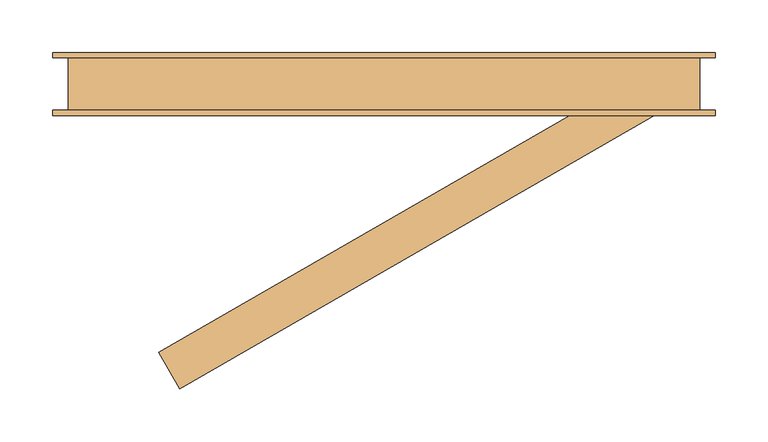
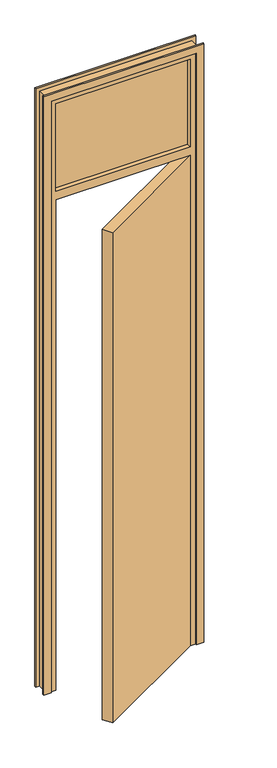
"""IFC4 building model written with IfcOpenShell, lengths in millimetres: door geometry."""

import ifcopenshell
import ifcopenshell.guid

model = None  # the IFC model being written
_history = None  # IfcOwnerHistory: only IFC2X3 demands one
_inside = {}  # id of a spatial element -> (the spatial element, [elements in it])
_under = {}  # id of a project, library or spatial element -> (it, [spatial elements below it])
_declared = {}  # id of a project -> (the project, [libraries it declares])
_typed = {}  # id of a type object -> (the type object, [elements of that type])
_made_of = {}  # id of a material, layer set ... -> (it, [elements and type objects made of it])


def new_model(schema):
    """Start an empty IFC model of exactly this schema.

    Asked for "IFC4X3", IfcOpenShell would pick the latest addendum, in which some entities
    have other attributes; the version numbers below select the first issue.
    IFC2X3 requires an IfcOwnerHistory on every rooted entity: one is made here for all.
    """
    global model, _history
    if schema == "IFC4X3":
        model = ifcopenshell.file(schema_version=(4, 3, 0, 0))
    else:
        model = ifcopenshell.file(schema=schema)
    _inside.clear()
    _under.clear()
    _declared.clear()
    _typed.clear()
    _made_of.clear()
    _history = None
    if model.schema == "IFC2X3":
        org = make("IfcOrganization", Name="unknown")
        user = make(
            "IfcPersonAndOrganization",
            ThePerson=make("IfcPerson", FamilyName="unknown"),
            TheOrganization=org,
        )
        app = make(
            "IfcApplication",
            ApplicationDeveloper=org,
            Version="unknown",
            ApplicationFullName="unknown",
            ApplicationIdentifier="unknown",
        )
        _history = make(
            "IfcOwnerHistory",
            OwningUser=user,
            OwningApplication=app,
            ChangeAction="ADDED",
            CreationDate=0,
        )
    return model


def make(cls, **values):
    """One entity of the class cls with the attributes given. An attribute that is None is left unset."""
    return model.create_entity(
        cls, **{name: value for name, value in values.items() if value is not None}
    )


def rooted(cls, **values):
    """An entity with a GlobalId (a new one), such as an element, a storey or a relation."""
    return make(cls, GlobalId=ifcopenshell.guid.new(), OwnerHistory=_history, **values)


def si_unit(unit_type, name, prefix=None):
    """IfcSIUnit, for example si_unit("LENGTHUNIT", "METRE", prefix="MILLI")."""
    return make("IfcSIUnit", UnitType=unit_type, Prefix=prefix, Name=name)


def assignment(units):
    """IfcUnitAssignment: the units of a project."""
    return None if units is None else make("IfcUnitAssignment", Units=units)


def point(xyz):
    """IfcCartesianPoint."""
    return None if xyz is None else make("IfcCartesianPoint", Coordinates=xyz)


def direction(xyz):
    """IfcDirection."""
    return None if xyz is None else make("IfcDirection", DirectionRatios=xyz)


def frame(location, z_axis=None, x_axis=None):
    """IfcAxis2Placement3D, a coordinate frame: its origin and axes. An axis left out is left unset."""
    return make(
        "IfcAxis2Placement3D",
        Location=point(location),
        Axis=direction(z_axis),
        RefDirection=direction(x_axis),
    )


def origin():
    """The frame at (0, 0, 0) with its axes left unset."""
    return frame((0.0, 0.0, 0.0))


def origin_with_axes():
    """The frame at (0, 0, 0) with the z axis (0, 0, 1) and the x axis (1, 0, 0) written out."""
    return frame((0.0, 0.0, 0.0), z_axis=(0.0, 0.0, 1.0), x_axis=(1.0, 0.0, 0.0))


def place(relative_to, where):
    """IfcLocalPlacement: puts the frame where relative to a parent placement (None: the world)."""
    return make(
        "IfcLocalPlacement", PlacementRelTo=relative_to, RelativePlacement=where
    )


def context(
    kind, dimensions, precision=None, world=None, true_north=None, identifier=None
):
    """IfcGeometricRepresentationContext, for example the 3D "Model" context."""
    return make(
        "IfcGeometricRepresentationContext",
        ContextIdentifier=identifier,
        ContextType=kind,
        CoordinateSpaceDimension=dimensions,
        Precision=precision,
        WorldCoordinateSystem=world,
        TrueNorth=true_north,
    )


def project(units=None, contexts=None):
    """IfcProject with its units and contexts."""
    return rooted(
        "IfcProject",
        Name="project",
        RepresentationContexts=contexts,
        UnitsInContext=assignment(units),
    )


def spatial(cls, under=None, at=None, **own):
    """A site, building, storey or space (cls), placed at a placement, below another one or the project."""
    s = rooted(cls, ObjectPlacement=at, **own)
    if under is not None:
        _under.setdefault(under.id(), (under, []))[1].append(s)
    return s


def polyline(points):
    """IfcPolyline through the points."""
    return make("IfcPolyline", Points=[point(p) for p in points])


def outline(outer, holes=None, kind="AREA"):
    """IfcArbitraryClosedProfileDef: a profile drawn as a closed curve; with holes, ...WithVoids."""
    if holes is None:
        return make("IfcArbitraryClosedProfileDef", ProfileType=kind, OuterCurve=outer)
    return make(
        "IfcArbitraryProfileDefWithVoids",
        ProfileType=kind,
        OuterCurve=outer,
        InnerCurves=holes,
    )


def extrude(swept, where, along, depth):
    """IfcExtrudedAreaSolid: the profile swept, set in the frame where, extruded along a direction by depth."""
    return make(
        "IfcExtrudedAreaSolid",
        SweptArea=swept,
        Position=where,
        ExtrudedDirection=direction(along),
        Depth=depth,
    )


def faces_of(points, faces, orient=None, outer=None):
    """IfcFace entities. A face is a list of loops; a loop is a list of indices into points, from 0.

    orient and outer hold one flag for each loop. By default every Orientation is true, the
    first loop of a face is its IfcFaceOuterBound and the others are IfcFaceBound.
    """
    made = []
    for i, loops in enumerate(faces):
        bounds = []
        for j, loop in enumerate(loops):
            is_outer = j == 0 if outer is None else outer[i][j]
            bounds.append(
                make(
                    "IfcFaceOuterBound" if is_outer else "IfcFaceBound",
                    Bound=make("IfcPolyLoop", Polygon=[points[k] for k in loop]),
                    Orientation=True if orient is None else orient[i][j],
                )
            )
        made.append(make("IfcFace", Bounds=bounds))
    return made


def faceted_brep(points, faces, orient=None, outer=None, voids=None):
    """IfcFacetedBrep: a solid bounded by flat faces; with voids (closed shells), ...WithVoids."""
    shared = [point(p) for p in points]
    hull = make("IfcClosedShell", CfsFaces=faces_of(shared, faces, orient, outer))
    if voids is None:
        return make("IfcFacetedBrep", Outer=hull)
    return make(
        "IfcFacetedBrepWithVoids",
        Outer=hull,
        Voids=[
            make(cls, CfsFaces=faces_of(shared, fs, o, b)) for cls, fs, o, b in voids
        ],
    )


def shape(context_of_items, identifier, shape_type, items):
    """IfcShapeRepresentation: the items that make up one representation, for example the "Body"."""
    return make(
        "IfcShapeRepresentation",
        ContextOfItems=context_of_items,
        RepresentationIdentifier=identifier,
        RepresentationType=shape_type,
        Items=items,
    )


def source(mapping_origin, context_of_items, identifier, shape_type, items):
    """IfcRepresentationMap: a shape defined once, which mapped items show again and again."""
    return make(
        "IfcRepresentationMap",
        MappingOrigin=mapping_origin,
        MappedRepresentation=shape(context_of_items, identifier, shape_type, items),
    )


def transform(
    local_origin,
    x_axis=None,
    y_axis=None,
    z_axis=None,
    scale=None,
    scale2=None,
    scale3=None,
    uniform=True,
):
    """IfcCartesianTransformationOperator3D, or its non-uniform kind. x_axis, y_axis, z_axis: its Axis1, 2, 3."""
    if uniform:
        return make(
            "IfcCartesianTransformationOperator3D",
            Axis1=direction(x_axis),
            Axis2=direction(y_axis),
            LocalOrigin=point(local_origin),
            Scale=scale,
            Axis3=direction(z_axis),
        )
    return make(
        "IfcCartesianTransformationOperator3DnonUniform",
        Axis1=direction(x_axis),
        Axis2=direction(y_axis),
        LocalOrigin=point(local_origin),
        Scale=scale,
        Axis3=direction(z_axis),
        Scale2=scale2,
        Scale3=scale3,
    )


def mapped(mapping_source, mapping_target):
    """IfcMappedItem: shows the shape of a source again, moved by a transform."""
    return make(
        "IfcMappedItem", MappingSource=mapping_source, MappingTarget=mapping_target
    )


def made_of(thing, what):
    """Note that an element or type object is made of a material, layer set ...; save() writes the relation."""
    if what is not None:
        _made_of.setdefault(what.id(), (what, []))[1].append(thing)
    return thing


def element(
    cls,
    number,
    at=None,
    inside=None,
    cuts=None,
    type_object=None,
    material=None,
    context=None,
    identifier="Body",
    shape_type=None,
    held_by="IfcProductDefinitionShape",
    body=None,
    shapes=None,
    **own,
):
    """One element of the class cls, such as IfcWall. Its Tag is "e" and its number.

    at: its placement. inside: the storey or other place that contains it. cuts: it is an
    opening in that element (IfcRelVoidsElement). A single representation is given by context,
    identifier, shape_type and body (its items); several are given by shapes. held_by: the class
    of the entity that holds the representations. save() writes the other relations.
    """
    e = rooted(cls, Tag="e%d" % number, ObjectPlacement=at, **own)
    if body is not None:
        shapes = [shape(context, identifier, shape_type, body)]
    if shapes is not None:
        e.Representation = make(held_by, Representations=shapes)
    if inside is not None:
        _inside.setdefault(inside.id(), (inside, []))[1].append(e)
    if cuts is not None:
        rooted(
            "IfcRelVoidsElement", RelatingBuildingElement=cuts, RelatedOpeningElement=e
        )
    if type_object is not None:
        _typed.setdefault(type_object.id(), (type_object, []))[1].append(e)
    return made_of(e, material)


def aggregate(whole, parts):
    """IfcRelAggregates: a whole, such as a stair, and the parts it consists of."""
    return rooted("IfcRelAggregates", RelatingObject=whole, RelatedObjects=parts)


def save(model, path):
    """Write the relations noted so far, then the file.

    IfcRelAggregates (storeys below a building ...), IfcRelContainedInSpatialStructure (elements
    in a storey), IfcRelDefinesByType, IfcRelAssociatesMaterial and IfcRelDeclares: one each for
    every whole, place, type object, material and project.
    """
    for whole, parts in _under.values():
        aggregate(whole, parts)
    for where, things in _inside.values():
        rooted(
            "IfcRelContainedInSpatialStructure",
            RelatedElements=things,
            RelatingStructure=where,
        )
    for kind, things in _typed.values():
        rooted("IfcRelDefinesByType", RelatedObjects=things, RelatingType=kind)
    for what, things in _made_of.values():
        rooted("IfcRelAssociatesMaterial", RelatedObjects=things, RelatingMaterial=what)
    for by, libraries in _declared.values():
        rooted("IfcRelDeclares", RelatingContext=by, RelatedDefinitions=libraries)
    model.write(path)


def door_07399cc2(model_context):
    return source(origin(), model_context, "Body", "SolidModel", [
        extrude(outline(polyline([(-248.993464, -255.3589838), (210.0, 9.6410162), (230.0, -25.0), (-228.993464, -290.0), (-248.993464, -255.3589838)])), origin_with_axes(), (0.0, 0.0, 1.0), 2040.0),
        extrude(outline(polyline([(0.0, -350.0), (0.0, -320.0), (2460.0, -320.0), (2460.0, 250.0), (0.0, 250.0), (0.0, 280.0), (2490.0, 280.0), (2490.0, -350.0), (0.0, -350.0)])), frame((0.0, -30.0, 0.0), z_axis=(0.0, 1.0, 0.0), x_axis=(0.0, 0.0, 1.0)), (0.0, 0.0, 1.0), 5.0),
        extrude(outline(polyline([(0.0, -350.0), (0.0, -320.0), (2460.0, -320.0), (2460.0, 250.0), (0.0, 250.0), (0.0, 280.0), (2490.0, 280.0), (2490.0, -350.0), (0.0, -350.0)])), frame((0.0, 25.0, 0.0), z_axis=(0.0, 1.0, 0.0), x_axis=(0.0, 0.0, 1.0)), (0.0, 0.0, 1.0), 5.0),
        extrude(outline(polyline([(230.0, -6.0), (-300.0, -6.0), (-300.0, 6.0), (230.0, 6.0), (230.0, -6.0)])), frame((0.0, 0.0, 2075.0), z_axis=(0.0, 0.0, 1.0), x_axis=(1.0, 0.0, 0.0)), (0.0, 0.0, 1.0), 365.0),
        faceted_brep([(-335.0, -25.0, 0.0), (-335.0, 25.0, 0.0), (-285.0, 25.0, 0.0), (-285.0, 15.0, 0.0), (-300.0, 15.0, 0.0), (-300.0, -25.0, 0.0), (-335.0, -25.0, 2475.0), (-335.0, 25.0, 2475.0), (265.0, 25.0, 2475.0), (265.0, 25.0, 0.0), (215.0, 25.0, 0.0), (215.0, 25.0, 2025.0), (-285.0, 25.0, 2025.0), (-300.0, 25.0, 2075.0), (230.0, 25.0, 2075.0), (230.0, 25.0, 2440.0), (-300.0, 25.0, 2440.0), (-285.0, 15.0, 2025.0), (215.0, 15.0, 2025.0), (215.0, 15.0, 0.0), (230.0, 15.0, 0.0), (230.0, 15.0, 2040.0), (-300.0, 15.0, 2040.0), (-300.0, -25.0, 2040.0), (230.0, -25.0, 2040.0), (230.0, -25.0, 0.0), (265.0, -25.0, 0.0), (265.0, -25.0, 2475.0), (230.0, -25.0, 2075.0), (-300.0, -25.0, 2075.0), (-300.0, -25.0, 2440.0), (230.0, -25.0, 2440.0)], [[[0, 1, 2, 3, 4, 5]], [[1, 0, 6, 7]], [[2, 1, 7, 8, 9, 10, 11, 12], [13, 14, 15, 16]], [[3, 2, 12, 17]], [[4, 3, 17, 18, 19, 20, 21, 22]], [[5, 4, 22, 23]], [[6, 0, 5, 23, 24, 25, 26, 27], [28, 29, 30, 31]], [[9, 8, 27, 26]], [[10, 9, 26, 25, 20, 19]], [[11, 10, 19, 18]], [[21, 20, 25, 24]], [[6, 27, 8, 7]], [[28, 31, 15, 14]], [[31, 30, 16, 15]], [[30, 29, 13, 16]], [[14, 13, 29, 28]], [[12, 11, 18, 17]], [[22, 21, 24, 23]]]),
    ])


if __name__ == "__main__":
    model = new_model("IFC4")
    model_context = context("Model", 3, world=origin())
    ifc_project = project(units=[si_unit("LENGTHUNIT", "METRE", prefix="MILLI")], contexts=[model_context])
    site = spatial("IfcSite", under=ifc_project)
    building = spatial("IfcBuilding", under=site)
    placement = place(None, origin())
    door_shape = door_07399cc2(model_context)
    element("IfcDoor", 1, at=placement, inside=building, context=model_context, shape_type="MappedRepresentation", body=[
        mapped(door_shape, transform((0.0, 0.0, 0.0), x_axis=(1.0, 0.0, 0.0), y_axis=(0.0, 1.0, 0.0), z_axis=(0.0, 0.0, 1.0))),
    ])
    save(model, "model.ifc")
